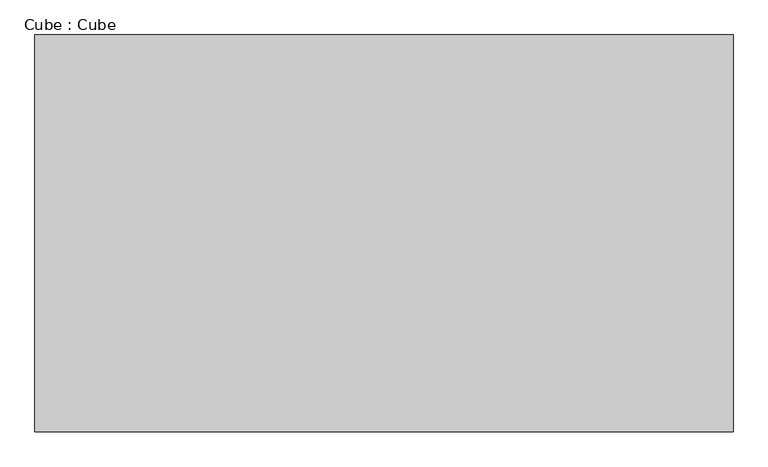
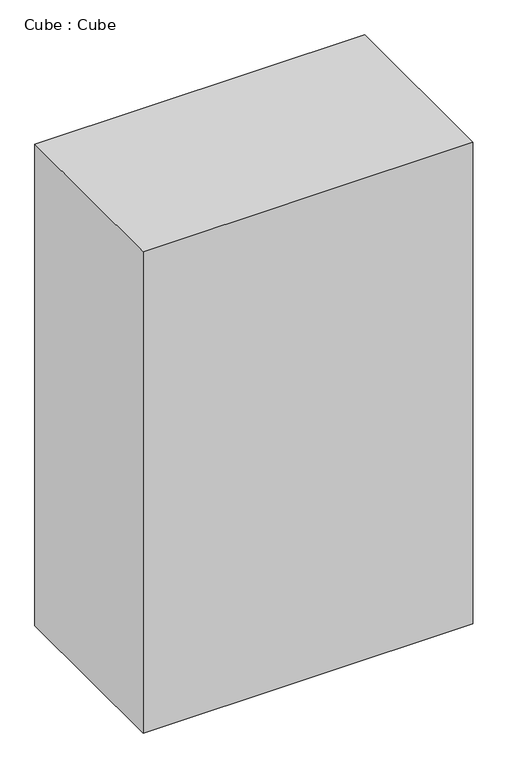
"""IFC4 building model written with IfcOpenShell, lengths in millimetres: proxy geometry, Cube : Cube."""

from ifc_helpers import new_model, si_unit, origin, origin_with_axes, place, context, project, spatial, polyline, outline, extrude, source, transform, mapped, element, save


def cube_cube_5b3e7d51(model_context):
    return source(origin(), model_context, "Body", "SweptSolid", [
        extrude(outline(polyline([(5128.15, 2915.35), (5128.15, -2915.35), (-5128.15, -2915.35), (-5128.15, 2915.35), (5128.15, 2915.35)])), origin_with_axes(), (0.0, 0.0, 1.0), 15830.7),
    ])


if __name__ == "__main__":
    model = new_model("IFC4")
    model_context = context("Model", 3, world=origin())
    ifc_project = project(units=[si_unit("LENGTHUNIT", "METRE", prefix="MILLI")], contexts=[model_context])
    site = spatial("IfcSite", under=ifc_project)
    building = spatial("IfcBuilding", under=site)
    placement = place(None, origin())
    cube_cube_shape = cube_cube_5b3e7d51(model_context)
    element("IfcBuildingElementProxy", 1, Name="Cube : Cube", ObjectType="Cube : Cube", at=placement, inside=building, context=model_context, shape_type="MappedRepresentation", body=[
        mapped(cube_cube_shape, transform((0.0, 0.0, 0.0), x_axis=(1.0, 0.0, 0.0), y_axis=(0.0, 1.0, 0.0), z_axis=(0.0, 0.0, 1.0))),
    ])
    save(model, "model.ifc")
